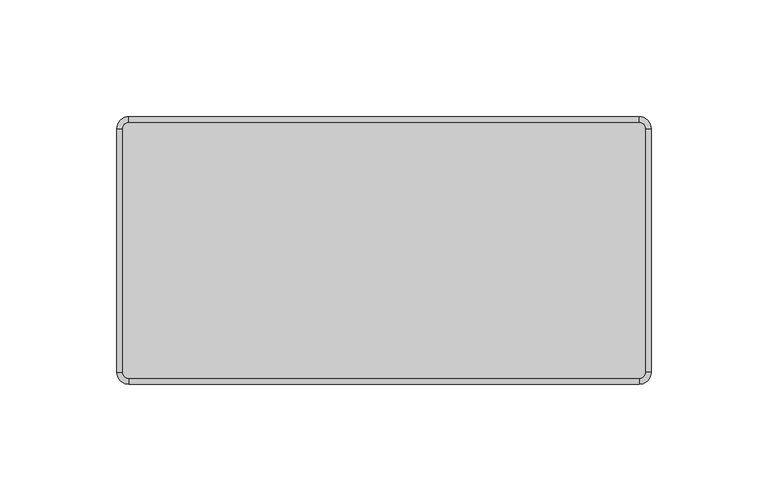
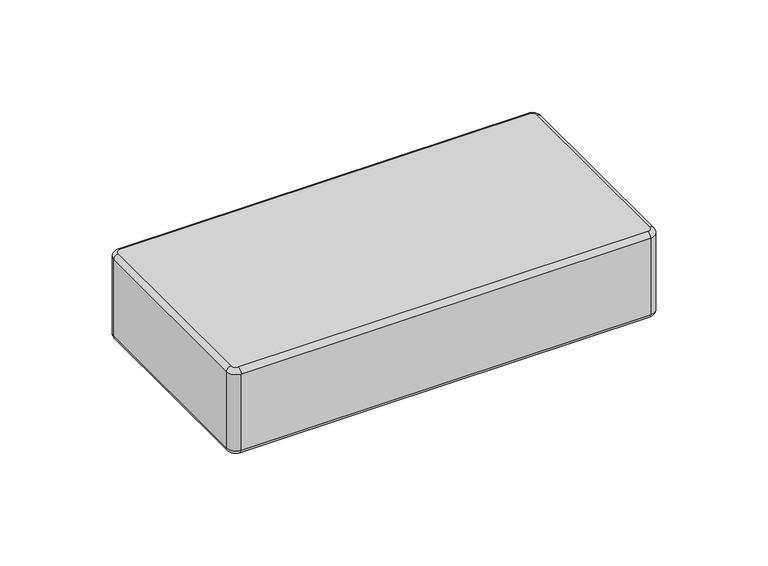
"""IFC4 building model written with IfcOpenShell, lengths in millimetres: plate geometry."""

from ifc_helpers import new_model, si_unit, point, frame, origin, place, context, project, spatial, circle_curve, ellipse_curve, trimmed, source, transform, mapped, element, save
from ifc_brep_helpers import plane_surface, cylinder_surface, revolved_surface, advanced_brep


def plate_76cd9d19(model_context):
    return source(origin(), model_context, "Body", "AdvancedBrep", [
        advanced_brep(
        [(170.5245233, 52.15, 48.0), (168.0245233, 54.65, 48.0), (-50.5754767, 54.65, 48.0), (-53.0754767, 52.15, 48.0), (-53.0754767, -52.15, 48.0), (-50.5754767, -54.65, 48.0), (168.0245233, -54.65, 48.0), (170.5245233, -52.15, 48.0), (-53.0754767, 52.15, 0.0), (-50.5754767, 54.65, 0.0), (168.0245233, 54.65, 0.0), (170.5245233, 52.15, 0.0), (170.5245233, -52.15, 0.0), (168.0245233, -54.65, 0.0), (-50.5754767, -54.65, 0.0), (-53.0754767, -52.15, 0.0), (-50.5754767, -57.15, 2.5), (168.0245233, -57.15, 2.5), (168.0245233, -57.15, 45.5), (-50.5754767, -57.15, 45.5), (173.0245233, -52.15, 2.5), (173.0245233, 52.15, 2.5), (173.0245233, 52.15, 45.5000019), (173.0245233, -52.15, 45.5), (168.0245233, 57.15, 2.5), (-50.5754767, 57.15, 2.5), (-50.5754767, 57.15, 45.5), (168.0245233, 57.15, 45.5), (-55.5754767, 52.15, 2.5), (-55.5754767, -52.15, 2.5), (-55.5754767, -52.15, 45.5), (-55.5754767, 52.15, 45.5)],
        [
            (0, 1, circle_curve(frame((168.0245233, 52.15, 48.0), z_axis=(0.0, 0.0, 1.0), x_axis=(1.0, 0.0, 0.0)), 2.5)),
            (1, 2),
            (2, 3, circle_curve(frame((-50.5754767, 52.15, 48.0), z_axis=(0.0, 0.0, 1.0), x_axis=(0.0, 1.0, 0.0)), 2.5)),
            (3, 4),
            (4, 5, circle_curve(frame((-50.5754767, -52.15, 48.0), z_axis=(0.0, 0.0, 1.0), x_axis=(-1.0, 0.0, 0.0)), 2.5)),
            (5, 6),
            (6, 7, circle_curve(frame((168.0245233, -52.15, 48.0), z_axis=(0.0, 0.0, 1.0), x_axis=(0.0, -1.0, 0.0)), 2.5)),
            (7, 0),
            (8, 9, circle_curve(frame((-50.5754767, 52.15, 0.0), z_axis=(0.0, 0.0, -1.0), x_axis=(-1.0, 0.0, 0.0)), 2.5)),
            (9, 10),
            (10, 11, circle_curve(frame((168.0245233, 52.15, 0.0), z_axis=(0.0, 0.0, -1.0), x_axis=(0.0, 1.0, 0.0)), 2.5)),
            (11, 12),
            (12, 13, circle_curve(frame((168.0245233, -52.15, 0.0), z_axis=(0.0, 0.0, -1.0), x_axis=(1.0, 0.0, 0.0)), 2.5)),
            (13, 14),
            (14, 15, circle_curve(frame((-50.5754767, -52.15, 0.0), z_axis=(0.0, 0.0, -1.0), x_axis=(0.0, -1.0, 0.0)), 2.5)),
            (15, 8),
            (16, 17),
            (17, 18),
            (18, 19),
            (19, 16),
            (20, 21),
            (21, 22),
            (22, 23),
            (23, 20),
            (24, 25),
            (25, 26),
            (26, 27),
            (27, 24),
            (28, 29),
            (29, 30),
            (30, 31),
            (31, 28),
            (29, 16, circle_curve(frame((-50.5754767, -52.15, 2.5), z_axis=(0.0, 0.0, 1.0), x_axis=(1.0, 0.0, 0.0)), 5.0)),
            (19, 30, circle_curve(frame((-50.5754767, -52.15, 45.5), z_axis=(0.0, 0.0, -1.0), x_axis=(1.0, 0.0, 0.0)), 5.0)),
            (17, 20, circle_curve(frame((168.0245233, -52.15, 2.5), z_axis=(0.0, 0.0, 1.0), x_axis=(1.0, 0.0, 0.0)), 5.0)),
            (23, 18, circle_curve(frame((168.0245233, -52.15, 45.5), z_axis=(0.0, 0.0, -1.0), x_axis=(1.0, 0.0, 0.0)), 5.0)),
            (21, 24, circle_curve(frame((168.0245233, 52.15, 2.5), z_axis=(0.0, 0.0, 1.0), x_axis=(1.0, 0.0, 0.0)), 5.0)),
            (27, 22, circle_curve(frame((168.0245233, 52.15, 45.5), z_axis=(0.0, 0.0, -1.0), x_axis=(1.0, 0.0, 0.0)), 5.0)),
            (25, 28, circle_curve(frame((-50.5754767, 52.15, 2.5), z_axis=(0.0, 0.0, 1.0), x_axis=(1.0, 0.0, 0.0)), 5.0)),
            (31, 26, circle_curve(frame((-50.5754767, 52.15, 45.5), z_axis=(0.0, 0.0, -1.0), x_axis=(1.0, 0.0, 0.0)), 5.0)),
            (25, 9, circle_curve(frame((-50.5754767, 54.65, 2.5), z_axis=(-1.0, 0.0, 0.0), x_axis=(0.0, -1.0, 0.0)), 2.5)),
            (8, 28, circle_curve(frame((-53.0754767, 52.15, 2.5), z_axis=(0.0, 1.0, 0.0), x_axis=(1.0, 0.0, 0.0)), 2.5)),
            (24, 10, circle_curve(frame((168.0245233, 54.65, 2.5), z_axis=(-1.0, 0.0, 0.0), x_axis=(0.0, -1.0, 0.0)), 2.5)),
            (21, 11, circle_curve(frame((170.5245233, 52.15, 2.5), z_axis=(0.0, 1.0, 0.0), x_axis=(-1.0, 0.0, 0.0)), 2.5)),
            (20, 12, circle_curve(frame((170.5245233, -52.15, 2.5), z_axis=(0.0, 1.0, 0.0), x_axis=(-1.0, 0.0, 0.0)), 2.5)),
            (17, 13, circle_curve(frame((168.0245233, -54.65, 2.5), z_axis=(1.0, 0.0, 0.0), x_axis=(0.0, 1.0, 0.0)), 2.5)),
            (16, 14, circle_curve(frame((-50.5754767, -54.65, 2.5), z_axis=(1.0, 0.0, 0.0), x_axis=(0.0, 1.0, 0.0)), 2.5)),
            (29, 15, circle_curve(frame((-53.0754767, -52.15, 2.5), z_axis=(0.0, -1.0, 0.0), x_axis=(1.0, 0.0, 0.0)), 2.5)),
            (27, 1, circle_curve(frame((168.0245233, 54.65, 45.5), z_axis=(1.0, 0.0, 0.0), x_axis=(0.0, -1.0, 0.0)), 2.5)),
            (0, 22, circle_curve(frame((170.5245233, 52.15, 45.5), z_axis=(0.0, 1.0, 0.0), x_axis=(-1.0, 0.0, 0.0)), 2.5)),
            (26, 2, circle_curve(frame((-50.5754767, 54.65, 45.5), z_axis=(1.0, 0.0, 0.0), x_axis=(0.0, -1.0, 0.0)), 2.5)),
            (31, 3, circle_curve(frame((-53.0754767, 52.15, 45.5), z_axis=(0.0, 1.0, 0.0), x_axis=(1.0, 0.0, 0.0)), 2.5)),
            (30, 4, circle_curve(frame((-53.0754767, -52.15, 45.5), z_axis=(0.0, 1.0, 0.0), x_axis=(1.0, 0.0, 0.0)), 2.5)),
            (19, 5, circle_curve(frame((-50.5754767, -54.65, 45.5), z_axis=(-1.0, 0.0, 0.0), x_axis=(0.0, 1.0, 0.0)), 2.5)),
            (18, 6, circle_curve(frame((168.0245233, -54.65, 45.5), z_axis=(-1.0, 0.0, 0.0), x_axis=(0.0, 1.0, 0.0)), 2.5)),
            (23, 7, circle_curve(frame((170.5245233, -52.15, 45.5), z_axis=(0.0, -1.0, 0.0), x_axis=(-1.0, 0.0, 0.0)), 2.5)),
        ],
        [
            plane_surface(frame((-45.5754767, -52.15, 48.0), z_axis=(0.0, 0.0, 1.0), x_axis=(0.0, 1.0, 0.0))),
            plane_surface(frame((-45.5754767, -52.15, 0.0), z_axis=(0.0, 0.0, -1.0), x_axis=(0.0, -1.0, 0.0))),
            plane_surface(frame((-50.5754767, -57.15, 48.0), z_axis=(0.0, -1.0, 0.0), x_axis=(0.0, 0.0, -1.0))),
            plane_surface(frame((173.0245233, -52.15, 48.0), z_axis=(1.0, 0.0, 0.0), x_axis=(0.0, 0.0, -1.0))),
            plane_surface(frame((168.0245233, 57.15, 48.0), z_axis=(0.0, 1.0, 0.0), x_axis=(0.0, 0.0, -1.0))),
            plane_surface(frame((-55.5754767, 52.15, 48.0), z_axis=(-1.0, 0.0, 0.0), x_axis=(0.0, 0.0, -1.0))),
            cylinder_surface(frame((-50.5754767, -52.15, 0.0), z_axis=(0.0, 0.0, 1.0), x_axis=(1.0, 0.0, 0.0)), 5.0),
            cylinder_surface(frame((168.0245233, -52.15, 0.0), z_axis=(0.0, 0.0, 1.0), x_axis=(1.0, 0.0, 0.0)), 5.0),
            cylinder_surface(frame((168.0245233, 52.15, 0.0), z_axis=(0.0, 0.0, 1.0), x_axis=(1.0, 0.0, 0.0)), 5.0),
            cylinder_surface(frame((-50.5754767, 52.15, 0.0), z_axis=(0.0, 0.0, 1.0), x_axis=(1.0, 0.0, 0.0)), 5.0),
            revolved_surface(trimmed(ellipse_curve(frame((-53.0754767, 52.15, 2.5), z_axis=(0.0, -1.0, 0.0), x_axis=(1.0, 0.0, 0.0)), 2.5, 2.5), [point((-55.5754767, 52.15, 2.5))], [point((-53.0754767, 52.15, 0.0))], True, "CARTESIAN"), (-50.5754767, 52.15, 0.0), (0.0, 0.0, -1.0)),
            cylinder_surface(frame((-50.5754767, 54.65, 2.5), z_axis=(1.0, 0.0, 0.0), x_axis=(0.0, -1.0, 0.0)), 2.5),
            revolved_surface(trimmed(ellipse_curve(frame((168.0245233, 54.65, 2.5), z_axis=(-1.0, 0.0, 0.0), x_axis=(0.0, -1.0, 0.0)), 2.5, 2.5), [point((168.0245233, 57.15, 2.5))], [point((168.0245233, 54.65, 0.0))], True, "CARTESIAN"), (168.0245233, 52.15, 0.0), (0.0, 0.0, -1.0)),
            cylinder_surface(frame((170.5245233, 52.15, 2.5), z_axis=(0.0, -1.0, 0.0), x_axis=(-1.0, 0.0, 0.0)), 2.5),
            revolved_surface(trimmed(ellipse_curve(frame((170.5245233, -52.15, 2.5), z_axis=(0.0, 1.0, 0.0), x_axis=(-1.0, 0.0, 0.0)), 2.5, 2.5), [point((173.0245233, -52.15, 2.5))], [point((170.5245233, -52.15, 0.0))], True, "CARTESIAN"), (168.0245233, -52.15, 0.0), (0.0, 0.0, -1.0)),
            cylinder_surface(frame((168.0245233, -54.65, 2.5), z_axis=(-1.0, 0.0, 0.0), x_axis=(0.0, 1.0, 0.0)), 2.5),
            revolved_surface(trimmed(ellipse_curve(frame((-50.5754767, -54.65, 2.5), z_axis=(1.0, 0.0, 0.0), x_axis=(0.0, 1.0, 0.0)), 2.5, 2.5), [point((-50.5754767, -57.15, 2.5))], [point((-50.5754767, -54.65, 0.0))], True, "CARTESIAN"), (-50.5754767, -52.15, 0.0), (0.0, 0.0, -1.0)),
            cylinder_surface(frame((-53.0754767, -52.15, 2.5), z_axis=(0.0, 1.0, 0.0), x_axis=(1.0, 0.0, 0.0)), 2.5),
            revolved_surface(trimmed(ellipse_curve(frame((170.5245233, 52.15, 45.5), z_axis=(0.0, -1.0, 0.0), x_axis=(-1.0, 0.0, 0.0)), 2.5, 2.5), [point((173.0245233, 52.15, 45.5))], [point((170.5245233, 52.15, 48.0))], True, "CARTESIAN"), (168.0245233, 52.15, 48.0), (0.0, 0.0, 1.0)),
            cylinder_surface(frame((168.0245233, 54.65, 45.5), z_axis=(-1.0, 0.0, 0.0), x_axis=(0.0, -1.0, 0.0)), 2.5),
            revolved_surface(trimmed(ellipse_curve(frame((-50.5754767, 54.65, 45.5), z_axis=(1.0, 0.0, 0.0), x_axis=(0.0, -1.0, 0.0)), 2.5, 2.5), [point((-50.5754767, 57.15, 45.5))], [point((-50.5754767, 54.65, 48.0))], True, "CARTESIAN"), (-50.5754767, 52.15, 48.0), (0.0, 0.0, 1.0)),
            cylinder_surface(frame((-53.0754767, 52.15, 45.5), z_axis=(0.0, -1.0, 0.0), x_axis=(1.0, 0.0, 0.0)), 2.5),
            revolved_surface(trimmed(ellipse_curve(frame((-53.0754767, -52.15, 45.5), z_axis=(0.0, 1.0, 0.0), x_axis=(1.0, 0.0, 0.0)), 2.5, 2.5), [point((-55.5754767, -52.15, 45.5))], [point((-53.0754767, -52.15, 48.0))], True, "CARTESIAN"), (-50.5754767, -52.15, 48.0), (0.0, 0.0, 1.0)),
            cylinder_surface(frame((-50.5754767, -54.65, 45.5), z_axis=(1.0, 0.0, 0.0), x_axis=(0.0, 1.0, 0.0)), 2.5),
            revolved_surface(trimmed(ellipse_curve(frame((168.0245233, -54.65, 45.5), z_axis=(-1.0, 0.0, 0.0), x_axis=(0.0, 1.0, 0.0)), 2.5, 2.5), [point((168.0245233, -57.15, 45.5))], [point((168.0245233, -54.65, 48.0))], True, "CARTESIAN"), (168.0245233, -52.15, 48.0), (0.0, 0.0, 1.0)),
            cylinder_surface(frame((170.5245233, -52.15, 45.5), z_axis=(0.0, 1.0, 0.0), x_axis=(-1.0, 0.0, 0.0)), 2.5),
        ],
        [
            (0, [[1, 2, 3, 4, 5, 6, 7, 8]]),
            (1, [[9, 10, 11, 12, 13, 14, 15, 16]]),
            (2, [[17, 18, 19, 20]]),
            (3, [[21, 22, 23, 24]]),
            (4, [[25, 26, 27, 28]]),
            (5, [[29, 30, 31, 32]]),
            (6, [[33, -20, 34, -30]]),
            (7, [[35, -24, 36, -18]]),
            (8, [[37, -28, 38, -22]]),
            (9, [[39, -32, 40, -26]]),
            (10, [[41, -9, 42, -39]]),
            (11, [[-41, -25, 43, -10]]),
            (12, [[-43, -37, 44, -11]]),
            (13, [[-44, -21, 45, -12]]),
            (14, [[-45, -35, 46, -13]]),
            (15, [[-46, -17, 47, -14]]),
            (16, [[-47, -33, 48, -15]]),
            (17, [[-42, -16, -48, -29]]),
            (18, [[49, -1, 50, -38]]),
            (19, [[-49, -27, 51, -2]]),
            (20, [[-51, -40, 52, -3]]),
            (21, [[-52, -31, 53, -4]]),
            (22, [[-53, -34, 54, -5]]),
            (23, [[-54, -19, 55, -6]]),
            (24, [[-55, -36, 56, -7]]),
            (25, [[-50, -8, -56, -23]]),
        ],
    ),
    ])


if __name__ == "__main__":
    model = new_model("IFC4")
    model_context = context("Model", 3, world=origin())
    ifc_project = project(units=[si_unit("LENGTHUNIT", "METRE", prefix="MILLI")], contexts=[model_context])
    site = spatial("IfcSite", under=ifc_project)
    building = spatial("IfcBuilding", under=site)
    placement = place(None, origin())
    plate_shape = plate_76cd9d19(model_context)
    element("IfcPlate", 1, at=placement, inside=building, context=model_context, shape_type="MappedRepresentation", body=[
        mapped(plate_shape, transform((0.0, 0.0, 0.0), x_axis=(1.0, 0.0, 0.0), y_axis=(0.0, 1.0, 0.0), z_axis=(0.0, 0.0, 1.0))),
    ])
    save(model, "model.ifc")
